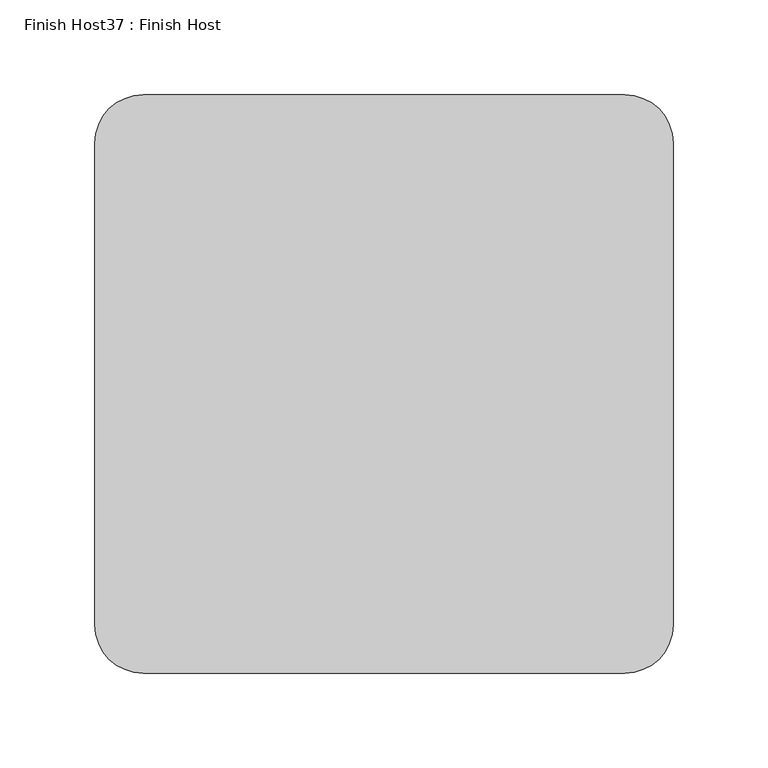
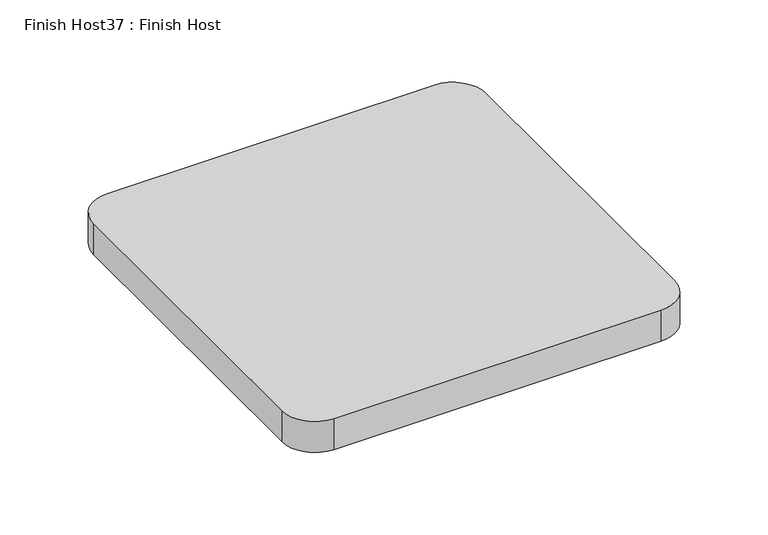
"""IFC4 building model written with IfcOpenShell, lengths in millimetres: proxy geometry, Finish Host37 : Finish Host."""

import ifcopenshell
import ifcopenshell.guid

model = None  # the IFC model being written
_history = None  # IfcOwnerHistory: only IFC2X3 demands one
_inside = {}  # id of a spatial element -> (the spatial element, [elements in it])
_under = {}  # id of a project, library or spatial element -> (it, [spatial elements below it])
_declared = {}  # id of a project -> (the project, [libraries it declares])
_typed = {}  # id of a type object -> (the type object, [elements of that type])
_made_of = {}  # id of a material, layer set ... -> (it, [elements and type objects made of it])


def new_model(schema):
    """Start an empty IFC model of exactly this schema.

    Asked for "IFC4X3", IfcOpenShell would pick the latest addendum, in which some entities
    have other attributes; the version numbers below select the first issue.
    IFC2X3 requires an IfcOwnerHistory on every rooted entity: one is made here for all.
    """
    global model, _history
    if schema == "IFC4X3":
        model = ifcopenshell.file(schema_version=(4, 3, 0, 0))
    else:
        model = ifcopenshell.file(schema=schema)
    _inside.clear()
    _under.clear()
    _declared.clear()
    _typed.clear()
    _made_of.clear()
    _history = None
    if model.schema == "IFC2X3":
        org = make("IfcOrganization", Name="unknown")
        user = make(
            "IfcPersonAndOrganization",
            ThePerson=make("IfcPerson", FamilyName="unknown"),
            TheOrganization=org,
        )
        app = make(
            "IfcApplication",
            ApplicationDeveloper=org,
            Version="unknown",
            ApplicationFullName="unknown",
            ApplicationIdentifier="unknown",
        )
        _history = make(
            "IfcOwnerHistory",
            OwningUser=user,
            OwningApplication=app,
            ChangeAction="ADDED",
            CreationDate=0,
        )
    return model


def make(cls, **values):
    """One entity of the class cls with the attributes given. An attribute that is None is left unset."""
    return model.create_entity(
        cls, **{name: value for name, value in values.items() if value is not None}
    )


def rooted(cls, **values):
    """An entity with a GlobalId (a new one), such as an element, a storey or a relation."""
    return make(cls, GlobalId=ifcopenshell.guid.new(), OwnerHistory=_history, **values)


def si_unit(unit_type, name, prefix=None):
    """IfcSIUnit, for example si_unit("LENGTHUNIT", "METRE", prefix="MILLI")."""
    return make("IfcSIUnit", UnitType=unit_type, Prefix=prefix, Name=name)


def assignment(units):
    """IfcUnitAssignment: the units of a project."""
    return None if units is None else make("IfcUnitAssignment", Units=units)


def point(xyz):
    """IfcCartesianPoint."""
    return None if xyz is None else make("IfcCartesianPoint", Coordinates=xyz)


def direction(xyz):
    """IfcDirection."""
    return None if xyz is None else make("IfcDirection", DirectionRatios=xyz)


def frame(location, z_axis=None, x_axis=None):
    """IfcAxis2Placement3D, a coordinate frame: its origin and axes. An axis left out is left unset."""
    return make(
        "IfcAxis2Placement3D",
        Location=point(location),
        Axis=direction(z_axis),
        RefDirection=direction(x_axis),
    )


def frame_2d(location, x_axis=None):
    """IfcAxis2Placement2D, a coordinate frame in the plane: its origin and x axis."""
    return make(
        "IfcAxis2Placement2D", Location=point(location), RefDirection=direction(x_axis)
    )


def origin():
    """The frame at (0, 0, 0) with its axes left unset."""
    return frame((0.0, 0.0, 0.0))


def origin_with_axes():
    """The frame at (0, 0, 0) with the z axis (0, 0, 1) and the x axis (1, 0, 0) written out."""
    return frame((0.0, 0.0, 0.0), z_axis=(0.0, 0.0, 1.0), x_axis=(1.0, 0.0, 0.0))


def place(relative_to, where):
    """IfcLocalPlacement: puts the frame where relative to a parent placement (None: the world)."""
    return make(
        "IfcLocalPlacement", PlacementRelTo=relative_to, RelativePlacement=where
    )


def context(
    kind, dimensions, precision=None, world=None, true_north=None, identifier=None
):
    """IfcGeometricRepresentationContext, for example the 3D "Model" context."""
    return make(
        "IfcGeometricRepresentationContext",
        ContextIdentifier=identifier,
        ContextType=kind,
        CoordinateSpaceDimension=dimensions,
        Precision=precision,
        WorldCoordinateSystem=world,
        TrueNorth=true_north,
    )


def project(units=None, contexts=None):
    """IfcProject with its units and contexts."""
    return rooted(
        "IfcProject",
        Name="project",
        RepresentationContexts=contexts,
        UnitsInContext=assignment(units),
    )


def spatial(cls, under=None, at=None, **own):
    """A site, building, storey or space (cls), placed at a placement, below another one or the project."""
    s = rooted(cls, ObjectPlacement=at, **own)
    if under is not None:
        _under.setdefault(under.id(), (under, []))[1].append(s)
    return s


def polyline(points):
    """IfcPolyline through the points."""
    return make("IfcPolyline", Points=[point(p) for p in points])


def circle_curve(where, radius):
    """IfcCircle in the frame where."""
    return make("IfcCircle", Position=where, Radius=radius)


def trimmed(basis, trim1, trim2, sense, master):
    """IfcTrimmedCurve: the piece of a basis curve between two trims."""
    return make(
        "IfcTrimmedCurve",
        BasisCurve=basis,
        Trim1=trim1,
        Trim2=trim2,
        SenseAgreement=sense,
        MasterRepresentation=master,
    )


def segment(curve, same_sense, transition):
    """IfcCompositeCurveSegment."""
    return make(
        "IfcCompositeCurveSegment",
        Transition=transition,
        SameSense=same_sense,
        ParentCurve=curve,
    )


def composite_curve(segments, self_intersect=None):
    """IfcCompositeCurve: segments joined end to end."""
    return make("IfcCompositeCurve", Segments=segments, SelfIntersect=self_intersect)


def outline(outer, holes=None, kind="AREA"):
    """IfcArbitraryClosedProfileDef: a profile drawn as a closed curve; with holes, ...WithVoids."""
    if holes is None:
        return make("IfcArbitraryClosedProfileDef", ProfileType=kind, OuterCurve=outer)
    return make(
        "IfcArbitraryProfileDefWithVoids",
        ProfileType=kind,
        OuterCurve=outer,
        InnerCurves=holes,
    )


def extrude(swept, where, along, depth):
    """IfcExtrudedAreaSolid: the profile swept, set in the frame where, extruded along a direction by depth."""
    return make(
        "IfcExtrudedAreaSolid",
        SweptArea=swept,
        Position=where,
        ExtrudedDirection=direction(along),
        Depth=depth,
    )


def shape(context_of_items, identifier, shape_type, items):
    """IfcShapeRepresentation: the items that make up one representation, for example the "Body"."""
    return make(
        "IfcShapeRepresentation",
        ContextOfItems=context_of_items,
        RepresentationIdentifier=identifier,
        RepresentationType=shape_type,
        Items=items,
    )


def source(mapping_origin, context_of_items, identifier, shape_type, items):
    """IfcRepresentationMap: a shape defined once, which mapped items show again and again."""
    return make(
        "IfcRepresentationMap",
        MappingOrigin=mapping_origin,
        MappedRepresentation=shape(context_of_items, identifier, shape_type, items),
    )


def transform(
    local_origin,
    x_axis=None,
    y_axis=None,
    z_axis=None,
    scale=None,
    scale2=None,
    scale3=None,
    uniform=True,
):
    """IfcCartesianTransformationOperator3D, or its non-uniform kind. x_axis, y_axis, z_axis: its Axis1, 2, 3."""
    if uniform:
        return make(
            "IfcCartesianTransformationOperator3D",
            Axis1=direction(x_axis),
            Axis2=direction(y_axis),
            LocalOrigin=point(local_origin),
            Scale=scale,
            Axis3=direction(z_axis),
        )
    return make(
        "IfcCartesianTransformationOperator3DnonUniform",
        Axis1=direction(x_axis),
        Axis2=direction(y_axis),
        LocalOrigin=point(local_origin),
        Scale=scale,
        Axis3=direction(z_axis),
        Scale2=scale2,
        Scale3=scale3,
    )


def mapped(mapping_source, mapping_target):
    """IfcMappedItem: shows the shape of a source again, moved by a transform."""
    return make(
        "IfcMappedItem", MappingSource=mapping_source, MappingTarget=mapping_target
    )


def made_of(thing, what):
    """Note that an element or type object is made of a material, layer set ...; save() writes the relation."""
    if what is not None:
        _made_of.setdefault(what.id(), (what, []))[1].append(thing)
    return thing


def element(
    cls,
    number,
    at=None,
    inside=None,
    cuts=None,
    type_object=None,
    material=None,
    context=None,
    identifier="Body",
    shape_type=None,
    held_by="IfcProductDefinitionShape",
    body=None,
    shapes=None,
    **own,
):
    """One element of the class cls, such as IfcWall. Its Tag is "e" and its number.

    at: its placement. inside: the storey or other place that contains it. cuts: it is an
    opening in that element (IfcRelVoidsElement). A single representation is given by context,
    identifier, shape_type and body (its items); several are given by shapes. held_by: the class
    of the entity that holds the representations. save() writes the other relations.
    """
    e = rooted(cls, Tag="e%d" % number, ObjectPlacement=at, **own)
    if body is not None:
        shapes = [shape(context, identifier, shape_type, body)]
    if shapes is not None:
        e.Representation = make(held_by, Representations=shapes)
    if inside is not None:
        _inside.setdefault(inside.id(), (inside, []))[1].append(e)
    if cuts is not None:
        rooted(
            "IfcRelVoidsElement", RelatingBuildingElement=cuts, RelatedOpeningElement=e
        )
    if type_object is not None:
        _typed.setdefault(type_object.id(), (type_object, []))[1].append(e)
    return made_of(e, material)


def aggregate(whole, parts):
    """IfcRelAggregates: a whole, such as a stair, and the parts it consists of."""
    return rooted("IfcRelAggregates", RelatingObject=whole, RelatedObjects=parts)


def save(model, path):
    """Write the relations noted so far, then the file.

    IfcRelAggregates (storeys below a building ...), IfcRelContainedInSpatialStructure (elements
    in a storey), IfcRelDefinesByType, IfcRelAssociatesMaterial and IfcRelDeclares: one each for
    every whole, place, type object, material and project.
    """
    for whole, parts in _under.values():
        aggregate(whole, parts)
    for where, things in _inside.values():
        rooted(
            "IfcRelContainedInSpatialStructure",
            RelatedElements=things,
            RelatingStructure=where,
        )
    for kind, things in _typed.values():
        rooted("IfcRelDefinesByType", RelatedObjects=things, RelatingType=kind)
    for what, things in _made_of.values():
        rooted("IfcRelAssociatesMaterial", RelatedObjects=things, RelatingMaterial=what)
    for by, libraries in _declared.values():
        rooted("IfcRelDeclares", RelatingContext=by, RelatedDefinitions=libraries)
    model.write(path)


def finish_host37_finish_host_7318c595(model_context):
    return source(origin(), model_context, "Body", "SweptSolid", [
        extrude(outline(composite_curve([segment(polyline([(4594.6934426, 3188.0122951), (4594.6934426, 3442.0122951)]), True, "CONTINUOUS"), segment(trimmed(circle_curve(frame_2d((4620.0934426, 3442.0122951)), 25.4), [point((4594.6934426, 3442.0122951))], [point((4620.0934426, 3467.4122951))], False, "CARTESIAN"), True, "CONTINUOUS"), segment(polyline([(4620.0934426, 3467.4122951), (4874.0934426, 3467.4122951)]), True, "CONTINUOUS"), segment(trimmed(circle_curve(frame_2d((4874.0934426, 3442.0122951)), 25.4), [point((4874.0934426, 3467.4122951))], [point((4899.4934426, 3442.0122951))], False, "CARTESIAN"), True, "CONTINUOUS"), segment(polyline([(4899.4934426, 3442.0122951), (4899.4934426, 3188.0122951)]), True, "CONTINUOUS"), segment(trimmed(circle_curve(frame_2d((4874.0934426, 3188.0122951)), 25.4), [point((4899.4934426, 3188.0122951))], [point((4874.0934426, 3162.6122951))], False, "CARTESIAN"), True, "CONTINUOUS"), segment(polyline([(4874.0934426, 3162.6122951), (4620.0934426, 3162.6122951)]), True, "CONTINUOUS"), segment(trimmed(circle_curve(frame_2d((4620.0934426, 3188.0122951)), 25.4), [point((4620.0934426, 3162.6122951))], [point((4594.6934426, 3188.0122951))], False, "CARTESIAN"), True, "CONTINUOUS")], self_intersect=False)), origin_with_axes(), (0.0, 0.0, 1.0), 25.4),
    ])


if __name__ == "__main__":
    model = new_model("IFC4")
    model_context = context("Model", 3, world=origin())
    ifc_project = project(units=[si_unit("LENGTHUNIT", "METRE", prefix="MILLI")], contexts=[model_context])
    site = spatial("IfcSite", under=ifc_project)
    building = spatial("IfcBuilding", under=site)
    placement = place(None, origin())
    finish_host37_finish_host_shape = finish_host37_finish_host_7318c595(model_context)
    element("IfcBuildingElementProxy", 1, Name="Finish Host37 : Finish Host", ObjectType="Finish Host37 : Finish Host", at=placement, inside=building, context=model_context, shape_type="MappedRepresentation", body=[
        mapped(finish_host37_finish_host_shape, transform((0.0, 0.0, 0.0), x_axis=(1.0, 0.0, 0.0), y_axis=(0.0, 1.0, 0.0), z_axis=(0.0, 0.0, 1.0))),
    ])
    save(model, "model.ifc")
